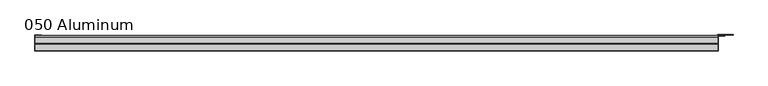
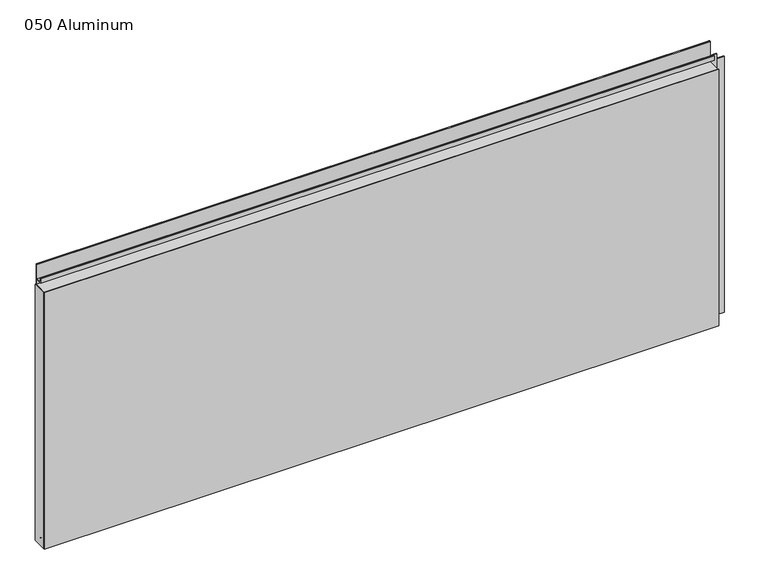
"""IFC4 building model written with IfcOpenShell, lengths in millimetres: plate geometry, 050 Aluminum."""

from ifc_helpers import new_model, si_unit, point, frame, frame_2d, origin, origin_with_axes, place, context, project, spatial, polyline, circle_curve, trimmed, segment, composite_curve, outline, extrude, source, transform, mapped, element, save


def plate_050_aluminum_b591e9ab(model_context):
    return source(origin(), model_context, "Body", "SweptSolid", [
        extrude(outline(polyline([(-763.9050001, -2.5660257), (-763.9050001, -34.7980001), (-765.175, -34.7980001), (-765.175, -1.2699999), (-751.0144995, -1.2699999), (-751.0144995, -2.5660257), (-763.9050001, -2.5660257)])), origin_with_axes(), (0.0, 0.0, 1.0), 608.33),
        extrude(outline(composite_curve([segment(polyline([(-16.6765477, 13.1458337), (-16.6765477, 2.786437), (-17.9464915, 2.786437), (-17.9464915, 13.1323356)]), True, "CONTINUOUS"), segment(trimmed(circle_curve(frame_2d((-19.8514743, 13.124237)), 1.905), [point((-17.9464915, 13.1323356))], [point((-21.7564743, 13.124237))], True, "CARTESIAN"), True, "CONTINUOUS"), segment(polyline([(-21.7564743, 13.124237), (-21.7564743, 0.0), (-34.7980002, 0.0), (-34.7980002, 1.2693678), (-23.0264743, 1.2693678), (-23.0264743, 13.124237)]), True, "CONTINUOUS"), segment(trimmed(circle_curve(frame_2d((-19.8514743, 13.124237)), 3.175), [point((-23.0264743, 13.124237))], [point((-16.6765477, 13.1458337))], False, "CARTESIAN"), True, "CONTINUOUS")], self_intersect=False)), frame((-763.9050001, 0.0, 0.0), z_axis=(1.0, 0.0, 0.0), x_axis=(0.0, 1.0, 0.0)), (0.0, 0.0, 1.0), 1515.1100002),
        extrude(outline(composite_curve([segment(polyline([(-2.0574743, 656.7932001), (-2.0574743, 608.33), (-34.7980002, 608.33), (-34.7980002, 609.6000001), (-3.3274743, 609.6000001), (-3.3274743, 656.7932001)]), True, "CONTINUOUS"), segment(trimmed(circle_curve(frame_2d((-3.7084742, 656.7932001)), 0.3809999), [point((-3.3274743, 656.7932001))], [point((-4.0894742, 656.7932001))], True, "CARTESIAN"), True, "CONTINUOUS"), segment(polyline([(-4.0894742, 656.7932001), (-4.0894742, 622.3), (-20.4864742, 622.3), (-20.4864742, 633.6538), (-19.2164743, 633.6538), (-19.2164743, 623.57), (-5.3594742, 623.57), (-5.3594742, 656.7932001)]), True, "CONTINUOUS"), segment(trimmed(circle_curve(frame_2d((-3.7084742, 656.7932001)), 1.6509999), [point((-5.3594742, 656.7932001))], [point((-2.0574743, 656.7932001))], False, "CARTESIAN"), True, "CONTINUOUS")], self_intersect=False)), frame((-763.9050001, 0.0, 0.0), z_axis=(1.0, 0.0, 0.0), x_axis=(0.0, 1.0, 0.0)), (0.0, 0.0, 1.0), 1515.1100002),
        extrude(outline(polyline([(-765.1750001, -36.068), (-765.1750001, -34.7980001), (752.4750001, -34.7980001), (752.4750001, -36.068), (-765.1750001, -36.068)])), origin_with_axes(), (0.0, 0.0, 1.0), 609.6),
        extrude(outline(polyline([(752.4750001, -1.2699999), (752.4750001, -34.7980002), (751.2050002, -34.7980002), (751.2050002, 0.0), (784.9870857, 0.0), (784.9870857, -1.2699999), (752.4750001, -1.2699999)])), origin_with_axes(), (0.0, 0.0, 1.0), 608.33),
        extrude(outline(polyline([(751.2050001, -3.3274743), (751.2050001, -2.0574743), (766.953, -2.0574743), (766.953, -3.3274743), (751.2050001, -3.3274743)])), origin_with_axes(), (0.0, 0.0, 1.0), 622.3),
    ])


if __name__ == "__main__":
    model = new_model("IFC4")
    model_context = context("Model", 3, world=origin())
    ifc_project = project(units=[si_unit("LENGTHUNIT", "METRE", prefix="MILLI")], contexts=[model_context])
    site = spatial("IfcSite", under=ifc_project)
    building = spatial("IfcBuilding", under=site)
    placement = place(None, origin())
    plate_050_aluminum_shape = plate_050_aluminum_b591e9ab(model_context)
    element("IfcPlate", 1, ObjectType="050 Aluminum", at=placement, inside=building, context=model_context, shape_type="MappedRepresentation", body=[
        mapped(plate_050_aluminum_shape, transform((0.0, 0.0, 0.0), x_axis=(1.0, 0.0, 0.0), y_axis=(0.0, 1.0, 0.0), z_axis=(0.0, 0.0, 1.0))),
    ])
    save(model, "model.ifc")
